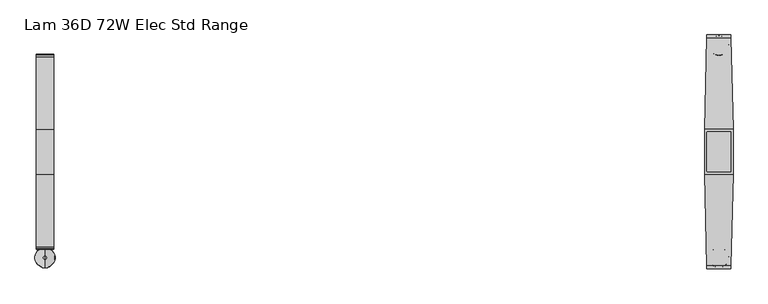
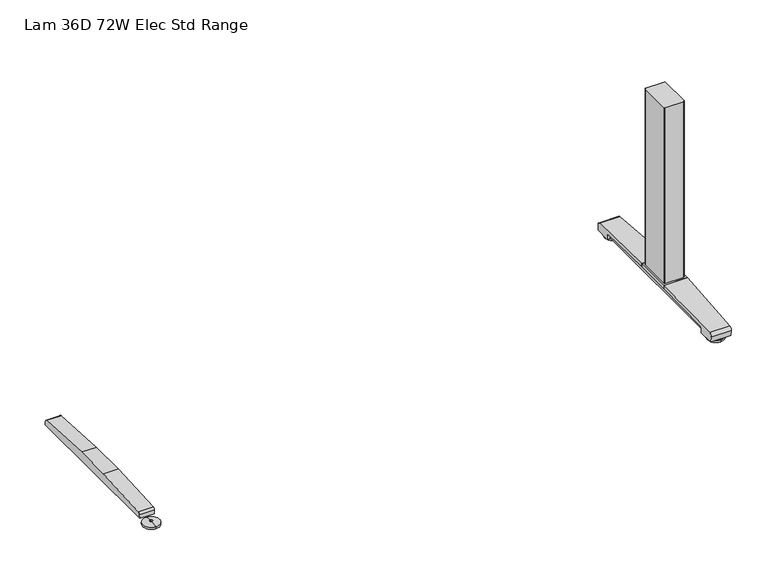
"""IFC4 building model written with IfcOpenShell, lengths in millimetres: furniture geometry, Lam 36D 72W Elec Std Range."""

from ifc_helpers import new_model, si_unit, point, frame, frame_2d, origin, place, context, project, spatial, polyline, circle_curve, ellipse_curve, trimmed, segment, composite_curve, outline, extrude, source, transform, mapped, element, save
from ifc_brep_helpers import plane_surface, cylinder_surface, revolved_surface, advanced_brep


def lam_36d_72w_elec_std_range_879f8a8f(model_context):
    return source(origin(), model_context, "Body", "SolidModel", [
        advanced_brep(
        [(-836.676, -287.9643617, 0.0), (-836.676, -237.7743384, 0.0), (-836.676, -262.86935, 0.0), (-836.676, -287.8796512, 5.0038001), (-836.676, -237.8590489, 5.0038001), (-836.676, -266.8698499, 8.4327997), (-836.676, -258.8688501, 8.4327997), (-836.676, -266.8698499, 10.0423733), (-836.676, -258.8688501, 10.0423733), (-836.676, -262.86935, 10.0423733)],
        [
            (0, 1, circle_curve(frame((-836.676, -262.86935, 0.0), z_axis=(0.0, 0.0, -1.0), x_axis=(0.0, 1.0, 0.0)), 25.0950117)),
            (1, 2),
            (2, 0),
            (1, 0, circle_curve(frame((-836.676, -262.86935, 0.0), z_axis=(0.0, 0.0, -1.0), x_axis=(0.0, 1.0, 0.0)), 25.0950117)),
            (3, 4, circle_curve(frame((-836.676, -262.86935, 5.0038001), z_axis=(0.0, 0.0, -1.0), x_axis=(0.0, 1.0, 0.0)), 25.0103012)),
            (4, 1),
            (0, 3),
            (4, 3, circle_curve(frame((-836.676, -262.86935, 5.0038001), z_axis=(0.0, 0.0, -1.0), x_axis=(0.0, 1.0, 0.0)), 25.0103012)),
            (5, 6, circle_curve(frame((-836.676, -262.86935, 8.4327997), z_axis=(0.0, 0.0, -1.0), x_axis=(0.0, 1.0, 0.0)), 4.0004999)),
            (6, 4, circle_curve(frame((-836.676, -258.8368668, -57.4502444), z_axis=(-1.0, 0.0, 0.0), x_axis=(0.0, 1.0, 0.0)), 65.8830518)),
            (3, 5, circle_curve(frame((-836.676, -266.9018333, -57.4502444), z_axis=(-1.0, 0.0, 0.0), x_axis=(0.0, -1.0, 0.0)), 65.8830518)),
            (6, 5, circle_curve(frame((-836.676, -262.86935, 8.4327997), z_axis=(0.0, 0.0, -1.0), x_axis=(0.0, 1.0, 0.0)), 4.0004999)),
            (7, 8, circle_curve(frame((-836.676, -262.86935, 10.0423733), z_axis=(0.0, 0.0, -1.0), x_axis=(0.0, 1.0, 0.0)), 4.0004999)),
            (8, 6),
            (5, 7),
            (8, 7, circle_curve(frame((-836.676, -262.86935, 10.0423733), z_axis=(0.0, 0.0, -1.0), x_axis=(0.0, 1.0, 0.0)), 4.0004999)),
            (9, 8),
            (7, 9),
        ],
        [
            plane_surface(frame((-836.676, -262.86935, 0.0), z_axis=(0.0, 0.0, -1.0), x_axis=(0.0, 1.0, 0.0))),
            revolved_surface(polyline([(-836.676, -237.7743384, 0.0), (-836.676, -237.8590489, 5.0038001)]), (-836.676, -262.86935, 0.0), (0.0, 0.0, 1.0)),
            revolved_surface(trimmed(ellipse_curve(frame((-836.676, -258.8368668, -57.4502444), z_axis=(1.0, 0.0, 0.0), x_axis=(0.0, 1.0, 0.0)), 65.8830518, 65.8830518), [point((-836.676, -237.8590489, 5.0038001))], [point((-836.676, -258.8688501, 8.4327997))], True, "CARTESIAN"), (-836.676, -262.86935, 0.0), (0.0, 0.0, 1.0)),
            cylinder_surface(frame((-836.676, -262.86935, 0.0), z_axis=(0.0, 0.0, 1.0), x_axis=(0.0, 1.0, 0.0)), 4.0004999),
            plane_surface(frame((-836.676, -262.86935, 10.0423733), z_axis=(0.0, 0.0, 1.0), x_axis=(0.0, 1.0, 0.0))),
        ],
        [
            (0, [[1, 2, 3]]),
            (0, [[4, -3, -2]]),
            (1, [[5, 6, -1, 7]]),
            (1, [[8, -7, -4, -6]]),
            (2, [[9, 10, -5, 11]]),
            (2, [[12, -11, -8, -10]]),
            (3, [[13, 14, -9, 15]]),
            (3, [[16, -15, -12, -14]]),
            (4, [[17, -13, 18]]),
            (4, [[-18, -16, -17]]),
        ],
    ),
        extrude(outline(composite_curve([segment(polyline([(241.1152602, 22.833301), (242.1038309, 11.5339019), (-242.1038309, 11.5339019), (-241.1152602, 22.833301)]), True, "CONTINUOUS"), segment(trimmed(circle_curve(frame_2d((-234.2929906, 22.2364289)), 6.8483297), [point((-241.1152602, 22.833301))], [point((-235.1603185, 29.0296138))], False, "CARTESIAN"), True, "CONTINUOUS"), segment(polyline([(-235.1603185, 29.0296138), (-56.1182127, 38.9541198), (56.1182127, 38.9541198), (235.1603185, 29.0296138)]), True, "CONTINUOUS"), segment(trimmed(circle_curve(frame_2d((234.2929906, 22.2364289)), 6.8483297), [point((235.1603185, 29.0296138))], [point((241.1152602, 22.833301))], False, "CARTESIAN"), True, "CONTINUOUS")], self_intersect=False)), frame((-858.6724, 0.0, 0.0), z_axis=(1.0, 0.0, 0.0), x_axis=(0.0, 1.0, 0.0)), (0.0, 0.0, 1.0), 43.9928),
        extrude(outline(composite_curve([segment(trimmed(circle_curve(frame_2d((864.2521079, 47.6421079)), 2.3323921), [point((864.2521079, 49.9745))], [point((866.5845, 47.6421079))], False, "CARTESIAN"), True, "CONTINUOUS"), segment(polyline([(866.5845, 47.6421079), (866.5845, -47.6421079)]), True, "CONTINUOUS"), segment(trimmed(circle_curve(frame_2d((864.2521079, -47.6421079)), 2.3323921), [point((866.5845, -47.6421079))], [point((864.2521079, -49.9745))], False, "CARTESIAN"), True, "CONTINUOUS"), segment(polyline([(864.2521079, -49.9745), (809.0998921, -49.9745)]), True, "CONTINUOUS"), segment(trimmed(circle_curve(frame_2d((809.0998921, -47.6421079)), 2.3323921), [point((809.0998921, -49.9745))], [point((806.7675, -47.6421079))], False, "CARTESIAN"), True, "CONTINUOUS"), segment(polyline([(806.7675, -47.6421079), (806.7675, 47.6421079)]), True, "CONTINUOUS"), segment(trimmed(circle_curve(frame_2d((809.0998921, 47.6421079)), 2.3323921), [point((806.7675, 47.6421079))], [point((809.0998921, 49.9745))], False, "CARTESIAN"), True, "CONTINUOUS"), segment(polyline([(809.0998921, 49.9745), (864.2521079, 49.9745)]), True, "CONTINUOUS")], self_intersect=False)), frame((0.0, 0.0, 48.10013), z_axis=(0.0, 0.0, 1.0), x_axis=(1.0, 0.0, 0.0)), (0.0, 0.0, 1.0), 550.9989485),
        advanced_brep(
        [(836.676, 238.6489737, 0.0), (836.676, 288.838997, 0.0), (836.676, 263.7439854, 0.0), (836.676, 238.7336842, 5.0038001), (836.676, 288.7542866, 5.0038001), (836.676, 259.7434855, 8.4327997), (836.676, 267.7444853, 8.4327997), (836.676, 259.7434855, 10.0423733), (836.676, 267.7444853, 10.0423733), (836.676, 263.7439854, 10.0423733)],
        [
            (0, 1, circle_curve(frame((836.676, 263.7439854, 0.0), z_axis=(0.0, 0.0, -1.0), x_axis=(0.0, 1.0, 0.0)), 25.0950117)),
            (1, 2),
            (2, 0),
            (1, 0, circle_curve(frame((836.676, 263.7439854, 0.0), z_axis=(0.0, 0.0, -1.0), x_axis=(0.0, 1.0, 0.0)), 25.0950117)),
            (3, 4, circle_curve(frame((836.676, 263.7439854, 5.0038001), z_axis=(0.0, 0.0, -1.0), x_axis=(0.0, 1.0, 0.0)), 25.0103012)),
            (4, 1),
            (0, 3),
            (4, 3, circle_curve(frame((836.676, 263.7439854, 5.0038001), z_axis=(0.0, 0.0, -1.0), x_axis=(0.0, 1.0, 0.0)), 25.0103012)),
            (5, 6, circle_curve(frame((836.676, 263.7439854, 8.4327997), z_axis=(0.0, 0.0, -1.0), x_axis=(0.0, 1.0, 0.0)), 4.0004999)),
            (6, 4, circle_curve(frame((836.676, 267.7764687, -57.4502444), z_axis=(-1.0, 0.0, 0.0), x_axis=(0.0, 1.0, 0.0)), 65.8830518)),
            (3, 5, circle_curve(frame((836.676, 259.7115021, -57.4502444), z_axis=(-1.0, 0.0, 0.0), x_axis=(0.0, -1.0, 0.0)), 65.8830518)),
            (6, 5, circle_curve(frame((836.676, 263.7439854, 8.4327997), z_axis=(0.0, 0.0, -1.0), x_axis=(0.0, 1.0, 0.0)), 4.0004999)),
            (7, 8, circle_curve(frame((836.676, 263.7439854, 10.0423733), z_axis=(0.0, 0.0, -1.0), x_axis=(0.0, 1.0, 0.0)), 4.0004999)),
            (8, 6),
            (5, 7),
            (8, 7, circle_curve(frame((836.676, 263.7439854, 10.0423733), z_axis=(0.0, 0.0, -1.0), x_axis=(0.0, 1.0, 0.0)), 4.0004999)),
            (9, 8),
            (7, 9),
        ],
        [
            plane_surface(frame((836.676, 263.7439854, 0.0), z_axis=(0.0, 0.0, -1.0), x_axis=(0.0, 1.0, 0.0))),
            revolved_surface(polyline([(836.676, 288.838997, 0.0), (836.676, 288.7542866, 5.0038001)]), (836.676, 263.7439854, 0.0), (0.0, 0.0, 1.0)),
            revolved_surface(trimmed(ellipse_curve(frame((836.676, 267.7764687, -57.4502444), z_axis=(1.0, 0.0, 0.0), x_axis=(0.0, 1.0, 0.0)), 65.8830518, 65.8830518), [point((836.676, 288.7542866, 5.0038001))], [point((836.676, 267.7444853, 8.4327997))], True, "CARTESIAN"), (836.676, 263.7439854, 0.0), (0.0, 0.0, 1.0)),
            cylinder_surface(frame((836.676, 263.7439854, 0.0), z_axis=(0.0, 0.0, 1.0), x_axis=(0.0, 1.0, 0.0)), 4.0004999),
            plane_surface(frame((836.676, 263.7439854, 10.0423733), z_axis=(0.0, 0.0, 1.0), x_axis=(0.0, 1.0, 0.0))),
        ],
        [
            (0, [[1, 2, 3]]),
            (0, [[4, -3, -2]]),
            (1, [[5, 6, -1, 7]]),
            (1, [[8, -7, -4, -6]]),
            (2, [[9, 10, -5, 11]]),
            (2, [[12, -11, -8, -10]]),
            (3, [[13, 14, -9, 15]]),
            (3, [[16, -15, -12, -14]]),
            (4, [[17, -13, 18]]),
            (4, [[-18, -16, -17]]),
        ],
    ),
        advanced_brep(
        [(836.676, -287.9643617, 0.0), (836.676, -237.7743384, 0.0), (836.676, -262.86935, 0.0), (836.676, -287.8796512, 5.0038001), (836.676, -237.8590489, 5.0038001), (836.676, -266.8698499, 8.4327997), (836.676, -258.8688501, 8.4327997), (836.676, -266.8698499, 10.0423733), (836.676, -258.8688501, 10.0423733), (836.676, -262.86935, 10.0423733)],
        [
            (0, 1, circle_curve(frame((836.676, -262.86935, 0.0), z_axis=(0.0, 0.0, -1.0), x_axis=(0.0, 1.0, 0.0)), 25.0950117)),
            (1, 2),
            (2, 0),
            (1, 0, circle_curve(frame((836.676, -262.86935, 0.0), z_axis=(0.0, 0.0, -1.0), x_axis=(0.0, 1.0, 0.0)), 25.0950117)),
            (3, 4, circle_curve(frame((836.676, -262.86935, 5.0038001), z_axis=(0.0, 0.0, -1.0), x_axis=(0.0, 1.0, 0.0)), 25.0103012)),
            (4, 1),
            (0, 3),
            (4, 3, circle_curve(frame((836.676, -262.86935, 5.0038001), z_axis=(0.0, 0.0, -1.0), x_axis=(0.0, 1.0, 0.0)), 25.0103012)),
            (5, 6, circle_curve(frame((836.676, -262.86935, 8.4327997), z_axis=(0.0, 0.0, -1.0), x_axis=(0.0, 1.0, 0.0)), 4.0004999)),
            (6, 4, circle_curve(frame((836.676, -258.8368668, -57.4502444), z_axis=(-1.0, 0.0, 0.0), x_axis=(0.0, 1.0, 0.0)), 65.8830518)),
            (3, 5, circle_curve(frame((836.676, -266.9018333, -57.4502444), z_axis=(-1.0, 0.0, 0.0), x_axis=(0.0, -1.0, 0.0)), 65.8830518)),
            (6, 5, circle_curve(frame((836.676, -262.86935, 8.4327997), z_axis=(0.0, 0.0, -1.0), x_axis=(0.0, 1.0, 0.0)), 4.0004999)),
            (7, 8, circle_curve(frame((836.676, -262.86935, 10.0423733), z_axis=(0.0, 0.0, -1.0), x_axis=(0.0, 1.0, 0.0)), 4.0004999)),
            (8, 6),
            (5, 7),
            (8, 7, circle_curve(frame((836.676, -262.86935, 10.0423733), z_axis=(0.0, 0.0, -1.0), x_axis=(0.0, 1.0, 0.0)), 4.0004999)),
            (9, 8),
            (7, 9),
        ],
        [
            plane_surface(frame((836.676, -262.86935, 0.0), z_axis=(0.0, 0.0, -1.0), x_axis=(0.0, 1.0, 0.0))),
            revolved_surface(polyline([(836.676, -237.7743384, 0.0), (836.676, -237.8590489, 5.0038001)]), (836.676, -262.86935, 0.0), (0.0, 0.0, 1.0)),
            revolved_surface(trimmed(ellipse_curve(frame((836.676, -258.8368668, -57.4502444), z_axis=(1.0, 0.0, 0.0), x_axis=(0.0, 1.0, 0.0)), 65.8830518, 65.8830518), [point((836.676, -237.8590489, 5.0038001))], [point((836.676, -258.8688501, 8.4327997))], True, "CARTESIAN"), (836.676, -262.86935, 0.0), (0.0, 0.0, 1.0)),
            cylinder_surface(frame((836.676, -262.86935, 0.0), z_axis=(0.0, 0.0, 1.0), x_axis=(0.0, 1.0, 0.0)), 4.0004999),
            plane_surface(frame((836.676, -262.86935, 10.0423733), z_axis=(0.0, 0.0, 1.0), x_axis=(0.0, 1.0, 0.0))),
        ],
        [
            (0, [[1, 2, 3]]),
            (0, [[4, -3, -2]]),
            (1, [[5, 6, -1, 7]]),
            (1, [[8, -7, -4, -6]]),
            (2, [[9, 10, -5, 11]]),
            (2, [[12, -11, -8, -10]]),
            (3, [[13, 14, -9, 15]]),
            (3, [[16, -15, -12, -14]]),
            (4, [[17, -13, 18]]),
            (4, [[-18, -16, -17]]),
        ],
    ),
        extrude(outline(polyline([(871.8068382, 56.1182127), (871.8068382, -56.1182127), (801.5451618, -56.1182127), (801.5451618, 56.1182127), (871.8068382, 56.1182127)])), frame((0.0, 0.0, 38.9541198), z_axis=(0.0, 0.0, 1.0), x_axis=(1.0, 0.0, 0.0)), (0.0, 0.0, 1.0), 9.1460102),
        advanced_brep(
        [(866.3596161, 290.195, 26.8186), (866.5338577, 282.707527, 35.7787117), (871.8068382, 56.1182127, 48.10013), (871.8068382, 56.1182127, 38.9541198), (867.6403331, 235.1603185, 29.0296138), (867.5017552, 241.1152602, 22.833301), (867.4757155, 242.2342309, 10.0434261), (866.3932489, 288.7497362, 10.041053), (806.8185002, 282.707527, 35.7787117), (806.9927418, 290.195, 26.8186), (806.959109, 288.7497362, 10.041053), (805.8766424, 242.2342309, 10.0434261), (805.8506028, 241.1152602, 22.833301), (805.7120248, 235.1603185, 29.0296138), (801.5455195, 56.1182044, 38.9541203), (801.5455197, 56.1182127, 48.10013)],
        [
            (0, 1, ellipse_curve(frame((866.551697, 281.9409412, 27.5296273), z_axis=(0.9997293380967565, 0.023264792039072654, 0.0), x_axis=(0.02326479203906671, -0.9997293380967567, 0.0)), 8.2868701, 8.2846272)),
            (1, 2, ellipse_curve(frame((903.0138523, -1284.9024809, -26702.7346616), z_axis=(0.9997293380967565, 0.023264792039072654, 0.0), x_axis=(0.02326479203906671, -0.9997293380967567, 0.0)), 26791.6779046, 26784.4264181)),
            (2, 3),
            (3, 4),
            (4, 5, ellipse_curve(frame((867.6605168, 234.2929906, 22.2364289), z_axis=(-0.9997293380967565, -0.023264792039072654, 0.0), x_axis=(-0.02326479203906671, 0.9997293380967567, 0.0)), 6.8501837, 6.8483297)),
            (5, 6),
            (6, 7),
            (7, 0),
            (8, 9, ellipse_curve(frame((806.8006609, 281.9409412, 27.5296273), z_axis=(-0.9997293380967591, 0.023264792038957392, 0.0), x_axis=(0.0232647920389561, 0.9997293380967591, 0.0)), 8.2868701, 8.2846272)),
            (9, 10),
            (10, 11),
            (11, 12),
            (12, 13, ellipse_curve(frame((805.6918411, 234.2929906, 22.2364289), z_axis=(0.9997293380967591, -0.023264792038957392, 0.0), x_axis=(-0.0232647920389561, -0.9997293380967591, 0.0)), 6.8501837, 6.8483297)),
            (13, 14),
            (14, 15),
            (15, 8, ellipse_curve(frame((770.3385056, -1284.9024809, -26702.7346616), z_axis=(-0.9997293380967591, 0.023264792038957392, 0.0), x_axis=(0.0232647920389561, 0.9997293380967591, 0.0)), 26791.6779046, 26784.4264181)),
            (0, 9),
            (8, 1),
            (7, 10),
            (6, 11),
            (5, 12),
            (4, 13),
            (3, 14),
            (2, 15),
        ],
        [
            plane_surface(frame((866.3226732, 291.7825, 48.10013), z_axis=(0.9997293380967565, 0.023264792039072654, 0.0), x_axis=(0.0, 0.0, -1.0))),
            plane_surface(frame((801.5455197, 56.1182127, 48.10013), z_axis=(-0.9997293380967591, 0.023264792038957392, 0.0), x_axis=(0.0, 0.0, -1.0))),
            cylinder_surface(frame((801.5451618, 281.9409412, 27.5296273), z_axis=(1.0, 0.0, 0.0), x_axis=(0.0, 1.0, 0.0)), 8.2846272),
            plane_surface(frame((871.8068382, 288.7497362, 10.041053), z_axis=(0.0, 0.9963102368703078, -0.08582489095496172), x_axis=(-1.0, 0.0, 0.0))),
            plane_surface(frame((871.8068382, 242.2342309, 10.0434261), z_axis=(0.0, -5.101798419271259e-05, -0.9999999986985827), x_axis=(-1.0, 0.0, 0.0))),
            plane_surface(frame((871.8068382, 241.1152602, 22.833301), z_axis=(0.0, -0.9961946873837872, -0.08715586514009506), x_axis=(-1.0, 0.0, 0.0))),
            revolved_surface(polyline([(805.5324730007909, 241.1413203, 22.2364289), (867.8198848992099, 241.1413203, 22.2364289)]), (801.5451618, 234.2929906, 22.2364289), (-1.0, 0.0, 0.0)),
            plane_surface(frame((871.8068382, 56.1182127, 38.9541198), z_axis=(0.0, -0.05534616539577146, -0.9984672262903695), x_axis=(-1.0, 0.0, 0.0))),
            plane_surface(frame((871.8068382, 56.1182127, 48.10013), z_axis=(0.0, -1.0, 0.0), x_axis=(-1.0, 0.0, 0.0))),
            cylinder_surface(frame((801.5451618, -1284.9024809, -26702.7346616), z_axis=(1.0, 0.0, 0.0), x_axis=(0.0, 1.0, 0.0)), 26784.4264181),
        ],
        [
            (0, [[1, 2, 3, 4, 5, 6, 7, 8]]),
            (1, [[9, 10, 11, 12, 13, 14, 15, 16]]),
            (2, [[17, -9, 18, -1]]),
            (3, [[-17, -8, 19, -10]]),
            (4, [[-19, -7, 20, -11]]),
            (5, [[-20, -6, 21, -12]]),
            (6, [[-21, -5, 22, -13]]),
            (7, [[23, -14, -22, -4]]),
            (8, [[-23, -3, 24, -15]]),
            (9, [[-24, -2, -18, -16]]),
        ],
    ),
        extrude(outline(composite_curve([segment(polyline([(241.1152602, 22.833301), (242.1038309, 11.5339019), (-242.1038309, 11.5339019), (-241.1152602, 22.833301)]), True, "CONTINUOUS"), segment(trimmed(circle_curve(frame_2d((-234.2929906, 22.2364289)), 6.8483297), [point((-241.1152602, 22.833301))], [point((-235.1603185, 29.0296138))], False, "CARTESIAN"), True, "CONTINUOUS"), segment(polyline([(-235.1603185, 29.0296138), (-56.1182127, 38.9541198), (56.1182127, 38.9541198), (235.1603185, 29.0296138)]), True, "CONTINUOUS"), segment(trimmed(circle_curve(frame_2d((234.2929906, 22.2364289)), 6.8483297), [point((235.1603185, 29.0296138))], [point((241.1152602, 22.833301))], False, "CARTESIAN"), True, "CONTINUOUS")], self_intersect=False)), frame((814.6796, 0.0, 0.0), z_axis=(1.0, 0.0, 0.0), x_axis=(0.0, 1.0, 0.0)), (0.0, 0.0, 1.0), 43.9928),
        advanced_brep(
        [(866.5338577, -282.707527, 35.7787117), (806.8185002, -282.707527, 35.7787117), (806.9927418, -290.195, 26.8186), (866.3596161, -290.195, 26.8186), (806.959109, -288.7497362, 10.041053), (866.3932489, -288.7497362, 10.041053), (805.8766424, -242.2342309, 10.0434261), (867.4757155, -242.2342309, 10.0434261), (805.8506028, -241.1152602, 22.833301), (867.5017552, -241.1152602, 22.833301), (805.7120248, -235.1603185, 29.0296138), (867.6403331, -235.1603185, 29.0296138), (801.5451618, -56.1182127, 38.9541198), (871.8068382, -56.1182127, 38.9541198), (801.5455197, -56.1182127, 48.10013), (871.8068382, -56.1182127, 48.10013)],
        [
            (0, 1),
            (1, 2, ellipse_curve(frame((806.8006609, -281.9409412, 27.5296273), z_axis=(0.9997293380967565, 0.023264792039071083, 0.0), x_axis=(0.023264792039068276, -0.9997293380967563, 0.0)), 8.2868701, 8.2846272)),
            (2, 3),
            (3, 0, ellipse_curve(frame((866.551697, -281.9409412, 27.5296273), z_axis=(-0.9997293380967563, 0.023264792039074937, 0.0), x_axis=(0.023264792039077165, 0.9997293380967563, 0.0)), 8.2868701, 8.2846272)),
            (2, 4),
            (4, 5),
            (5, 3),
            (4, 6),
            (6, 7),
            (7, 5),
            (6, 8),
            (8, 9),
            (9, 7),
            (8, 10, ellipse_curve(frame((805.6918411, -234.2929906, 22.2364289), z_axis=(-0.9997293380967565, -0.023264792039071083, 0.0), x_axis=(-0.023264792039068276, 0.9997293380967563, 0.0)), 6.8501837, 6.8483297)),
            (10, 11),
            (11, 9, ellipse_curve(frame((867.6605168, -234.2929906, 22.2364289), z_axis=(0.9997293380967563, -0.023264792039074937, 0.0), x_axis=(-0.023264792039077165, -0.9997293380967563, 0.0)), 6.8501837, 6.8483297)),
            (12, 13),
            (13, 11),
            (10, 12),
            (12, 14),
            (14, 15),
            (15, 13),
            (15, 0, ellipse_curve(frame((903.0138523, 1284.9024809, -26702.7346625), z_axis=(0.9997293380967563, -0.023264792039074937, 0.0), x_axis=(0.023264792039077165, 0.9997293380967563, 0.0)), 26791.6779056, 26784.426419)),
            (1, 14, ellipse_curve(frame((770.3385056, 1284.9024809, -26702.7346625), z_axis=(-0.9997293380967565, -0.023264792039071083, 0.0), x_axis=(0.023264792039068276, -0.9997293380967563, 0.0)), 26791.6779056, 26784.426419)),
        ],
        [
            cylinder_surface(frame((801.5451618, -281.9409412, 27.5296273), z_axis=(1.0, 0.0, 0.0), x_axis=(0.0, 1.0, 0.0)), 8.2846272),
            plane_surface(frame((871.8068382, -290.195, 26.8186), z_axis=(0.0, -0.9963102368705569, -0.08582489095207206), x_axis=(-1.0, 0.0, 0.0))),
            plane_surface(frame((871.8068382, -288.7497362, 10.041053), z_axis=(0.0, 5.101798391282467e-05, -0.9999999986985827), x_axis=(-1.0, 0.0, 0.0))),
            plane_surface(frame((871.8068382, -242.2342309, 10.0434261), z_axis=(0.0, 0.9961946873837977, -0.08715586513997582), x_axis=(-1.0, 0.0, 0.0))),
            revolved_surface(polyline([(805.5324730007901, -227.4446609, 22.2364289), (867.8198848992099, -227.4446609, 22.2364289)]), (801.5451618, -234.2929906, 22.2364289), (-1.0, 0.0, 0.0)),
            plane_surface(frame((871.8068382, -235.1603185, 29.0296138), z_axis=(0.0, 0.055346165395829, -0.9984672262903663), x_axis=(-1.0, 0.0, 0.0))),
            plane_surface(frame((871.8068382, -56.1182127, 38.9541198), z_axis=(0.0, 1.0, 0.0), x_axis=(-1.0, 0.0, 0.0))),
            plane_surface(frame((871.8068382, -56.1182127, 48.10013), z_axis=(0.9997293380967563, -0.023264792039074937, 0.0), x_axis=(0.0, 0.0, -1.0))),
            plane_surface(frame((807.0296847, -291.7825, 48.10013), z_axis=(-0.9997293380967565, -0.023264792039071083, 0.0), x_axis=(0.0, 0.0, -1.0))),
            cylinder_surface(frame((801.5451618, 1284.9024809, -26702.7346625), z_axis=(1.0, 0.0, 0.0), x_axis=(0.0, 1.0, 0.0)), 26784.426419),
        ],
        [
            (0, [[1, 2, 3, 4]]),
            (1, [[-3, 5, 6, 7]]),
            (2, [[-6, 8, 9, 10]]),
            (3, [[-9, 11, 12, 13]]),
            (4, [[-12, 14, 15, 16]]),
            (5, [[17, 18, -15, 19]]),
            (6, [[-17, 20, 21, 22]]),
            (7, [[-4, -7, -10, -13, -16, -18, -22, 23]]),
            (8, [[-2, 24, -20, -19, -14, -11, -8, -5]]),
            (9, [[-21, -24, -1, -23]]),
        ],
    ),
    ])


if __name__ == "__main__":
    model = new_model("IFC4")
    model_context = context("Model", 3, world=origin())
    ifc_project = project(units=[si_unit("LENGTHUNIT", "METRE", prefix="MILLI")], contexts=[model_context])
    site = spatial("IfcSite", under=ifc_project)
    building = spatial("IfcBuilding", under=site)
    placement = place(None, origin())
    lam_36d_72w_elec_std_range_shape = lam_36d_72w_elec_std_range_879f8a8f(model_context)
    element("IfcFurniture", 1, ObjectType="Lam 36D 72W Elec Std Range", at=placement, inside=building, context=model_context, shape_type="MappedRepresentation", body=[
        mapped(lam_36d_72w_elec_std_range_shape, transform((0.0, 0.0, 0.0), x_axis=(1.0, 0.0, 0.0), y_axis=(0.0, 1.0, 0.0), z_axis=(0.0, 0.0, 1.0))),
    ])
    save(model, "model.ifc")
